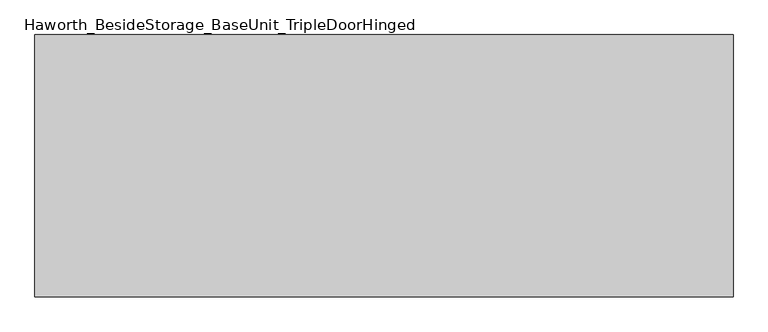
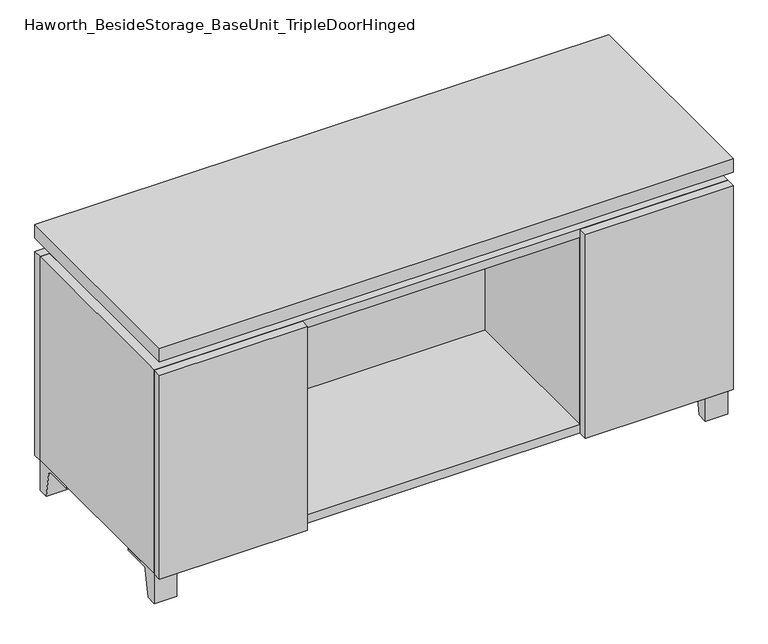
"""IFC4 building model written with IfcOpenShell, lengths in millimetres: furniture geometry, Haworth_BesideStorage_BaseUnit_TripleDoorHinged."""

from ifc_helpers import new_model, si_unit, point, frame, frame_2d, origin, place, context, project, spatial, polyline, circle_curve, trimmed, segment, composite_curve, outline, extrude, faceted_brep, source, transform, mapped, element, save


def haworth_besidestorage_baseunit_tripledoorhinged_14c47ea6(model_context):
    return source(origin(), model_context, "Body", "SolidModel", [
        extrude(outline(composite_curve([segment(polyline([(38.6291531, 0.0), (15.875, 0.0), (15.875, 66.675), (111.125, 66.675), (111.125, 61.8963321), (54.3244655, 61.8963321)]), True, "CONTINUOUS"), segment(trimmed(circle_curve(frame_2d((54.3244655, 55.5463321)), 6.35), [point((54.3244655, 61.8963321))], [point((48.0608641, 56.5902656))], True, "CARTESIAN"), True, "CONTINUOUS"), segment(polyline([(48.0608641, 56.5902656), (38.6291531, 0.0)]), True, "CONTINUOUS")], self_intersect=False)), frame((-23.7986094, 0.0, 0.0), z_axis=(1.0, 0.0, 0.0), x_axis=(0.0, 1.0, 0.0)), (0.0, 0.0, 1.0), 47.625),
        extrude(outline(composite_curve([segment(polyline([(-129.6458469, 0.0), (-152.4, 0.0), (-152.4, 66.675), (-57.15, 66.675), (-57.15, 61.8963321), (-113.9505345, 61.8963321)]), True, "CONTINUOUS"), segment(trimmed(circle_curve(frame_2d((-113.9505345, 55.5463321)), 6.35), [point((-113.9505345, 61.8963321))], [point((-120.2141359, 56.5902656))], True, "CARTESIAN"), True, "CONTINUOUS"), segment(polyline([(-120.2141359, 56.5902656), (-129.6458469, 0.0)]), True, "CONTINUOUS")], self_intersect=False)), frame((560.4013906, 0.0, 0.0), z_axis=(1.0, 0.0, 0.0), x_axis=(0.0, 1.0, 0.0)), (0.0, 0.0, 1.0), 47.625),
        extrude(outline(composite_curve([segment(polyline([(243.9458469, 0.0), (234.5141359, 56.5902656)]), True, "CONTINUOUS"), segment(trimmed(circle_curve(frame_2d((228.2505345, 55.5463321)), 6.35), [point((234.5141359, 56.5902656))], [point((228.2505345, 61.8963321))], True, "CARTESIAN"), True, "CONTINUOUS"), segment(polyline([(228.2505345, 61.8963321), (171.45, 61.8963321), (171.45, 66.675), (266.7, 66.675), (266.7, 0.0), (243.9458469, 0.0)]), True, "CONTINUOUS")], self_intersect=False)), frame((560.4013906, 0.0, 0.0), z_axis=(1.0, 0.0, 0.0), x_axis=(0.0, 1.0, 0.0)), (0.0, 0.0, 1.0), 47.625),
        extrude(outline(composite_curve([segment(polyline([(-129.6458469, 0.0), (-152.4, 0.0), (-152.4, 66.675), (-57.15, 66.675), (-57.15, 61.8963321), (-113.9505345, 61.8963321)]), True, "CONTINUOUS"), segment(trimmed(circle_curve(frame_2d((-113.9505345, 55.5463321)), 6.35), [point((-113.9505345, 61.8963321))], [point((-120.2141359, 56.5902656))], True, "CARTESIAN"), True, "CONTINUOUS"), segment(polyline([(-120.2141359, 56.5902656), (-129.6458469, 0.0)]), True, "CONTINUOUS")], self_intersect=False)), frame((-607.9986094, 0.0, 0.0), z_axis=(1.0, 0.0, 0.0), x_axis=(0.0, 1.0, 0.0)), (0.0, 0.0, 1.0), 47.625),
        extrude(outline(composite_curve([segment(polyline([(243.9458469, 0.0), (234.5141359, 56.5902656)]), True, "CONTINUOUS"), segment(trimmed(circle_curve(frame_2d((228.2505345, 55.5463321)), 6.35), [point((234.5141359, 56.5902656))], [point((228.2505345, 61.8963321))], True, "CARTESIAN"), True, "CONTINUOUS"), segment(polyline([(228.2505345, 61.8963321), (171.45, 61.8963321), (171.45, 66.675), (266.7, 66.675), (266.7, 0.0), (243.9458469, 0.0)]), True, "CONTINUOUS")], self_intersect=False)), frame((-607.9986094, 0.0, 0.0), z_axis=(1.0, 0.0, 0.0), x_axis=(0.0, 1.0, 0.0)), (0.0, 0.0, 1.0), 47.625),
        faceted_brep([(-607.9986094, -152.4, 66.675), (608.0125, -152.4, 66.675), (608.0125, -152.4, 523.875), (-607.9986094, -152.4, 523.875), (-588.9486094, -152.4, 85.725), (-588.9486094, -152.4, 504.825), (588.9694453, -152.4, 504.825), (588.9486094, -152.4, 85.725), (-607.9986094, 266.7, 66.675), (-607.9986094, 266.7, 523.875), (-588.9486094, 266.7, 523.875), (-588.9486094, 266.7, 85.725), (588.9486094, 266.7, 85.725), (588.9486094, 266.7, 523.875), (608.0125, 266.7, 523.875), (608.0125, 266.7, 66.675), (588.9486094, 241.3, 523.875), (-588.9416641, 241.3, 523.875), (-588.9486094, 241.3, 504.825), (588.9486094, 241.3, 504.825)], [[[0, 1, 2, 3], [4, 5, 6, 7]], [[8, 9, 10, 11, 12, 13, 14, 15]], [[1, 0, 8, 15]], [[2, 1, 15, 14]], [[3, 2, 14, 13, 16, 17, 10, 9]], [[0, 3, 9, 8]], [[11, 10, 17, 18, 5, 4]], [[13, 12, 7, 6, 19, 16]], [[4, 7, 12, 11]], [[6, 5, 18, 19]], [[17, 16, 19, 18]]]),
        extrude(outline(polyline([(608.0263906, -171.45), (-607.9986094, -171.45), (-607.9986094, 285.75), (608.0263906, 285.75), (608.0263906, -171.45)])), frame((0.0, 0.0, 554.0375), z_axis=(0.0, 0.0, 1.0), x_axis=(1.0, 0.0, 0.0)), (0.0, 0.0, 1.0), 30.1625),
        faceted_brep([(7.9513906, -76.2, 554.0375), (7.9513906, -76.2, 523.875), (7.9513906, 47.625, 523.875), (7.9513906, 47.625, 554.0375), (7.9513906, 190.5, 523.875), (7.9513906, 190.5, 554.0375), (7.9513906, 66.675, 554.0375), (7.9513906, 66.675, 523.875), (-7.9236094, 190.5, 554.0375), (-7.9236094, 190.5, 523.875), (-7.9236094, 66.675, 523.875), (-7.9236094, 66.675, 554.0375), (-7.9236094, -76.2, 523.875), (-7.9236094, -76.2, 554.0375), (-7.9236094, 47.625, 554.0375), (-7.9236094, 47.625, 523.875), (-566.6958281, 66.675, 554.0375), (-566.7166641, 241.3, 554.0375), (-582.5916641, 241.3, 554.0375), (-582.5916641, -127.0, 554.0375), (-566.7166641, -127.0, 554.0375), (-566.7166641, 47.625, 554.0375), (566.7236094, 47.625, 554.0375), (566.7236094, -127.0, 554.0375), (582.5986094, -127.0, 554.0375), (582.5986094, 241.3, 554.0375), (566.7236094, 241.3, 554.0375), (566.7236094, 66.675, 554.0375), (-566.6958281, 47.625, 523.875), (-566.7166641, -127.0, 523.875), (-582.5916641, -127.0, 523.875), (-582.5916641, 241.3, 523.875), (-566.7166641, 241.3, 523.875), (-566.7166641, 66.675, 523.875), (566.7236094, 66.675, 523.875), (566.7236094, 241.3, 523.875), (582.5986094, 241.3, 523.875), (582.5986094, -127.0, 523.875), (566.7236094, -127.0, 523.875), (566.7236094, 47.625, 523.875)], [[[0, 1, 2, 3]], [[4, 5, 6, 7]], [[8, 9, 10, 11]], [[12, 13, 14, 15]], [[5, 8, 11, 16, 17, 18, 19, 20, 21, 14, 13, 0, 3, 22, 23, 24, 25, 26, 27, 6]], [[1, 12, 15, 28, 29, 30, 31, 32, 33, 10, 9, 4, 7, 34, 35, 36, 37, 38, 39, 2]], [[5, 4, 9, 8]], [[1, 0, 13, 12]], [[6, 27, 34, 7]], [[22, 3, 2, 39]], [[20, 29, 28, 21]], [[32, 17, 16, 33]], [[18, 31, 30, 19]], [[29, 20, 19, 30]], [[17, 32, 31, 18]], [[26, 35, 34, 27]], [[38, 23, 22, 39]], [[25, 24, 37, 36]], [[23, 38, 37, 24]], [[35, 26, 25, 36]], [[16, 11, 10, 33]], [[14, 21, 28, 15]]]),
        extrude(outline(polyline([(608.0263906, 266.7), (-607.9986094, 266.7), (-607.9986094, 285.75), (608.0263906, 285.75), (608.0263906, 266.7)])), frame((0.0, 0.0, 66.675), z_axis=(0.0, 0.0, 1.0), x_axis=(1.0, 0.0, 0.0)), (0.0, 0.0, 1.0), 457.2),
        extrude(outline(polyline([(-588.9416641, 196.85), (-588.9416641, 203.2), (588.9694453, 203.2), (588.9694453, 196.85), (-588.9416641, 196.85)])), frame((0.0, 0.0, 85.725), z_axis=(0.0, 0.0, 1.0), x_axis=(1.0, 0.0, 0.0)), (0.0, 0.0, 1.0), 419.1),
        extrude(outline(polyline([(294.4951406, -171.45), (294.4951406, -152.4), (608.0263906, -152.4), (608.0263906, -171.45), (294.4951406, -171.45)])), frame((0.0, 0.0, 66.675), z_axis=(0.0, 0.0, 1.0), x_axis=(1.0, 0.0, 0.0)), (0.0, 0.0, 1.0), 457.2),
        extrude(outline(polyline([(-294.4673594, -171.45), (-607.9986094, -171.45), (-607.9986094, -152.4), (-294.4673594, -152.4), (-294.4673594, -171.45)])), frame((0.0, 0.0, 66.675), z_axis=(0.0, 0.0, 1.0), x_axis=(1.0, 0.0, 0.0)), (0.0, 0.0, 1.0), 457.2),
        extrude(outline(polyline([(294.4951406, 196.85), (313.5451406, 196.85), (313.5451406, -152.4), (294.4951406, -152.4), (294.4951406, 196.85)])), frame((0.0, 0.0, 85.725), z_axis=(0.0, 0.0, 1.0), x_axis=(1.0, 0.0, 0.0)), (0.0, 0.0, 1.0), 419.1),
        extrude(outline(polyline([(-313.5173594, 196.85), (-294.4673594, 196.85), (-294.4673594, -152.4), (-313.5173594, -152.4), (-313.5173594, 196.85)])), frame((0.0, 0.0, 85.725), z_axis=(0.0, 0.0, 1.0), x_axis=(1.0, 0.0, 0.0)), (0.0, 0.0, 1.0), 419.1),
    ])


if __name__ == "__main__":
    model = new_model("IFC4")
    model_context = context("Model", 3, world=origin())
    ifc_project = project(units=[si_unit("LENGTHUNIT", "METRE", prefix="MILLI")], contexts=[model_context])
    site = spatial("IfcSite", under=ifc_project)
    building = spatial("IfcBuilding", under=site)
    placement = place(None, origin())
    haworth_besidestorage_baseunit_tripledoorhinged_shape = haworth_besidestorage_baseunit_tripledoorhinged_14c47ea6(model_context)
    element("IfcFurniture", 1, ObjectType="Haworth_BesideStorage_BaseUnit_TripleDoorHinged", at=placement, inside=building, context=model_context, shape_type="MappedRepresentation", body=[
        mapped(haworth_besidestorage_baseunit_tripledoorhinged_shape, transform((0.0, 0.0, 0.0), x_axis=(1.0, 0.0, 0.0), y_axis=(0.0, 1.0, 0.0), z_axis=(0.0, 0.0, 1.0))),
    ])
    save(model, "model.ifc")
